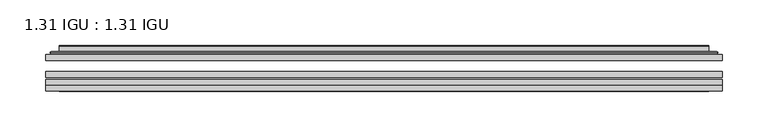
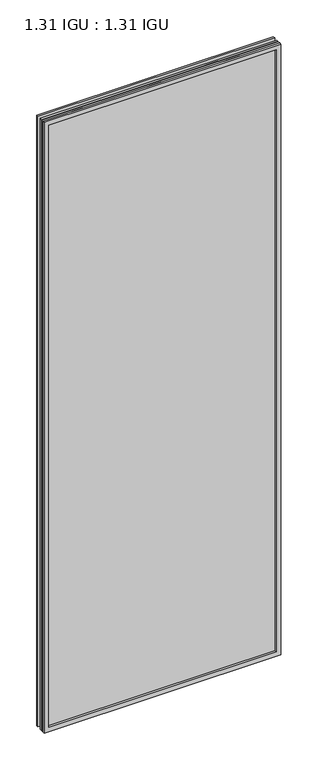
"""IFC4 building model written with IfcOpenShell, lengths in millimetres: plate geometry, 1.31 IGU : 1.31 IGU."""

import ifcopenshell
import ifcopenshell.guid

model = None  # the IFC model being written
_history = None  # IfcOwnerHistory: only IFC2X3 demands one
_inside = {}  # id of a spatial element -> (the spatial element, [elements in it])
_under = {}  # id of a project, library or spatial element -> (it, [spatial elements below it])
_declared = {}  # id of a project -> (the project, [libraries it declares])
_typed = {}  # id of a type object -> (the type object, [elements of that type])
_made_of = {}  # id of a material, layer set ... -> (it, [elements and type objects made of it])


def new_model(schema):
    """Start an empty IFC model of exactly this schema.

    Asked for "IFC4X3", IfcOpenShell would pick the latest addendum, in which some entities
    have other attributes; the version numbers below select the first issue.
    IFC2X3 requires an IfcOwnerHistory on every rooted entity: one is made here for all.
    """
    global model, _history
    if schema == "IFC4X3":
        model = ifcopenshell.file(schema_version=(4, 3, 0, 0))
    else:
        model = ifcopenshell.file(schema=schema)
    _inside.clear()
    _under.clear()
    _declared.clear()
    _typed.clear()
    _made_of.clear()
    _history = None
    if model.schema == "IFC2X3":
        org = make("IfcOrganization", Name="unknown")
        user = make(
            "IfcPersonAndOrganization",
            ThePerson=make("IfcPerson", FamilyName="unknown"),
            TheOrganization=org,
        )
        app = make(
            "IfcApplication",
            ApplicationDeveloper=org,
            Version="unknown",
            ApplicationFullName="unknown",
            ApplicationIdentifier="unknown",
        )
        _history = make(
            "IfcOwnerHistory",
            OwningUser=user,
            OwningApplication=app,
            ChangeAction="ADDED",
            CreationDate=0,
        )
    return model


def make(cls, **values):
    """One entity of the class cls with the attributes given. An attribute that is None is left unset."""
    return model.create_entity(
        cls, **{name: value for name, value in values.items() if value is not None}
    )


def rooted(cls, **values):
    """An entity with a GlobalId (a new one), such as an element, a storey or a relation."""
    return make(cls, GlobalId=ifcopenshell.guid.new(), OwnerHistory=_history, **values)


def si_unit(unit_type, name, prefix=None):
    """IfcSIUnit, for example si_unit("LENGTHUNIT", "METRE", prefix="MILLI")."""
    return make("IfcSIUnit", UnitType=unit_type, Prefix=prefix, Name=name)


def assignment(units):
    """IfcUnitAssignment: the units of a project."""
    return None if units is None else make("IfcUnitAssignment", Units=units)


def point(xyz):
    """IfcCartesianPoint."""
    return None if xyz is None else make("IfcCartesianPoint", Coordinates=xyz)


def direction(xyz):
    """IfcDirection."""
    return None if xyz is None else make("IfcDirection", DirectionRatios=xyz)


def frame(location, z_axis=None, x_axis=None):
    """IfcAxis2Placement3D, a coordinate frame: its origin and axes. An axis left out is left unset."""
    return make(
        "IfcAxis2Placement3D",
        Location=point(location),
        Axis=direction(z_axis),
        RefDirection=direction(x_axis),
    )


def origin():
    """The frame at (0, 0, 0) with its axes left unset."""
    return frame((0.0, 0.0, 0.0))


def place(relative_to, where):
    """IfcLocalPlacement: puts the frame where relative to a parent placement (None: the world)."""
    return make(
        "IfcLocalPlacement", PlacementRelTo=relative_to, RelativePlacement=where
    )


def context(
    kind, dimensions, precision=None, world=None, true_north=None, identifier=None
):
    """IfcGeometricRepresentationContext, for example the 3D "Model" context."""
    return make(
        "IfcGeometricRepresentationContext",
        ContextIdentifier=identifier,
        ContextType=kind,
        CoordinateSpaceDimension=dimensions,
        Precision=precision,
        WorldCoordinateSystem=world,
        TrueNorth=true_north,
    )


def project(units=None, contexts=None):
    """IfcProject with its units and contexts."""
    return rooted(
        "IfcProject",
        Name="project",
        RepresentationContexts=contexts,
        UnitsInContext=assignment(units),
    )


def spatial(cls, under=None, at=None, **own):
    """A site, building, storey or space (cls), placed at a placement, below another one or the project."""
    s = rooted(cls, ObjectPlacement=at, **own)
    if under is not None:
        _under.setdefault(under.id(), (under, []))[1].append(s)
    return s


def polyline(points):
    """IfcPolyline through the points."""
    return make("IfcPolyline", Points=[point(p) for p in points])


def ellipse_curve(where, semi_axis1, semi_axis2):
    """IfcEllipse in the frame where."""
    return make(
        "IfcEllipse", Position=where, SemiAxis1=semi_axis1, SemiAxis2=semi_axis2
    )


def outline(outer, holes=None, kind="AREA"):
    """IfcArbitraryClosedProfileDef: a profile drawn as a closed curve; with holes, ...WithVoids."""
    if holes is None:
        return make("IfcArbitraryClosedProfileDef", ProfileType=kind, OuterCurve=outer)
    return make(
        "IfcArbitraryProfileDefWithVoids",
        ProfileType=kind,
        OuterCurve=outer,
        InnerCurves=holes,
    )


def extrude(swept, where, along, depth):
    """IfcExtrudedAreaSolid: the profile swept, set in the frame where, extruded along a direction by depth."""
    return make(
        "IfcExtrudedAreaSolid",
        SweptArea=swept,
        Position=where,
        ExtrudedDirection=direction(along),
        Depth=depth,
    )


def faces_of(points, faces, orient=None, outer=None):
    """IfcFace entities. A face is a list of loops; a loop is a list of indices into points, from 0.

    orient and outer hold one flag for each loop. By default every Orientation is true, the
    first loop of a face is its IfcFaceOuterBound and the others are IfcFaceBound.
    """
    made = []
    for i, loops in enumerate(faces):
        bounds = []
        for j, loop in enumerate(loops):
            is_outer = j == 0 if outer is None else outer[i][j]
            bounds.append(
                make(
                    "IfcFaceOuterBound" if is_outer else "IfcFaceBound",
                    Bound=make("IfcPolyLoop", Polygon=[points[k] for k in loop]),
                    Orientation=True if orient is None else orient[i][j],
                )
            )
        made.append(make("IfcFace", Bounds=bounds))
    return made


def faceted_brep(points, faces, orient=None, outer=None, voids=None):
    """IfcFacetedBrep: a solid bounded by flat faces; with voids (closed shells), ...WithVoids."""
    shared = [point(p) for p in points]
    hull = make("IfcClosedShell", CfsFaces=faces_of(shared, faces, orient, outer))
    if voids is None:
        return make("IfcFacetedBrep", Outer=hull)
    return make(
        "IfcFacetedBrepWithVoids",
        Outer=hull,
        Voids=[
            make(cls, CfsFaces=faces_of(shared, fs, o, b)) for cls, fs, o, b in voids
        ],
    )


def shape(context_of_items, identifier, shape_type, items):
    """IfcShapeRepresentation: the items that make up one representation, for example the "Body"."""
    return make(
        "IfcShapeRepresentation",
        ContextOfItems=context_of_items,
        RepresentationIdentifier=identifier,
        RepresentationType=shape_type,
        Items=items,
    )


def source(mapping_origin, context_of_items, identifier, shape_type, items):
    """IfcRepresentationMap: a shape defined once, which mapped items show again and again."""
    return make(
        "IfcRepresentationMap",
        MappingOrigin=mapping_origin,
        MappedRepresentation=shape(context_of_items, identifier, shape_type, items),
    )


def transform(
    local_origin,
    x_axis=None,
    y_axis=None,
    z_axis=None,
    scale=None,
    scale2=None,
    scale3=None,
    uniform=True,
):
    """IfcCartesianTransformationOperator3D, or its non-uniform kind. x_axis, y_axis, z_axis: its Axis1, 2, 3."""
    if uniform:
        return make(
            "IfcCartesianTransformationOperator3D",
            Axis1=direction(x_axis),
            Axis2=direction(y_axis),
            LocalOrigin=point(local_origin),
            Scale=scale,
            Axis3=direction(z_axis),
        )
    return make(
        "IfcCartesianTransformationOperator3DnonUniform",
        Axis1=direction(x_axis),
        Axis2=direction(y_axis),
        LocalOrigin=point(local_origin),
        Scale=scale,
        Axis3=direction(z_axis),
        Scale2=scale2,
        Scale3=scale3,
    )


def mapped(mapping_source, mapping_target):
    """IfcMappedItem: shows the shape of a source again, moved by a transform."""
    return make(
        "IfcMappedItem", MappingSource=mapping_source, MappingTarget=mapping_target
    )


def made_of(thing, what):
    """Note that an element or type object is made of a material, layer set ...; save() writes the relation."""
    if what is not None:
        _made_of.setdefault(what.id(), (what, []))[1].append(thing)
    return thing


def element(
    cls,
    number,
    at=None,
    inside=None,
    cuts=None,
    type_object=None,
    material=None,
    context=None,
    identifier="Body",
    shape_type=None,
    held_by="IfcProductDefinitionShape",
    body=None,
    shapes=None,
    **own,
):
    """One element of the class cls, such as IfcWall. Its Tag is "e" and its number.

    at: its placement. inside: the storey or other place that contains it. cuts: it is an
    opening in that element (IfcRelVoidsElement). A single representation is given by context,
    identifier, shape_type and body (its items); several are given by shapes. held_by: the class
    of the entity that holds the representations. save() writes the other relations.
    """
    e = rooted(cls, Tag="e%d" % number, ObjectPlacement=at, **own)
    if body is not None:
        shapes = [shape(context, identifier, shape_type, body)]
    if shapes is not None:
        e.Representation = make(held_by, Representations=shapes)
    if inside is not None:
        _inside.setdefault(inside.id(), (inside, []))[1].append(e)
    if cuts is not None:
        rooted(
            "IfcRelVoidsElement", RelatingBuildingElement=cuts, RelatedOpeningElement=e
        )
    if type_object is not None:
        _typed.setdefault(type_object.id(), (type_object, []))[1].append(e)
    return made_of(e, material)


def aggregate(whole, parts):
    """IfcRelAggregates: a whole, such as a stair, and the parts it consists of."""
    return rooted("IfcRelAggregates", RelatingObject=whole, RelatedObjects=parts)


def save(model, path):
    """Write the relations noted so far, then the file.

    IfcRelAggregates (storeys below a building ...), IfcRelContainedInSpatialStructure (elements
    in a storey), IfcRelDefinesByType, IfcRelAssociatesMaterial and IfcRelDeclares: one each for
    every whole, place, type object, material and project.
    """
    for whole, parts in _under.values():
        aggregate(whole, parts)
    for where, things in _inside.values():
        rooted(
            "IfcRelContainedInSpatialStructure",
            RelatedElements=things,
            RelatingStructure=where,
        )
    for kind, things in _typed.values():
        rooted("IfcRelDefinesByType", RelatedObjects=things, RelatingType=kind)
    for what, things in _made_of.values():
        rooted("IfcRelAssociatesMaterial", RelatedObjects=things, RelatingMaterial=what)
    for by, libraries in _declared.values():
        rooted("IfcRelDeclares", RelatingContext=by, RelatedDefinitions=libraries)
    model.write(path)


def plane_surface(at):
    """IfcPlane: the flat surface through the origin of the frame at, square to its z axis."""
    return make("IfcPlane", Position=at)


def cylinder_surface(at, radius):
    """IfcCylindricalSurface: all points at the distance radius from the z axis of the frame at."""
    return make("IfcCylindricalSurface", Position=at, Radius=radius)


def advanced_brep(points, edges, surfaces, faces):
    """IfcAdvancedBrep: a solid bounded by faces that lie on surfaces and meet in shared edges.

    An edge is (start, end): straight between two places in points (the first is 0);
    or (start, end, curve); or (start, end, curve, False) where it runs against its curve.
    A face is (place in surfaces, loops), or (place, loops, False) where it looks against
    its surface's normal. A loop lists edges by number (the first is 1), with a minus sign
    where the edge is run from its end to its start. The first loop is the outer one.
    """
    corners = [point(p) for p in points]
    vertices = [make("IfcVertexPoint", VertexGeometry=c) for c in corners]
    made = []
    for start, end, *more in edges:
        made.append(
            make(
                "IfcEdgeCurve",
                EdgeStart=vertices[start],
                EdgeEnd=vertices[end],
                EdgeGeometry=more[0] if more else make("IfcPolyline", Points=[corners[start], corners[end]]),
                SameSense=more[1] if len(more) > 1 else True,
            )
        )
    hull = []
    for where, loops, *sense in faces:
        bounds = []
        for j, loop in enumerate(loops):
            ring = [make("IfcOrientedEdge", EdgeElement=made[abs(k) - 1], Orientation=k > 0) for k in loop]
            bounds.append(
                make(
                    "IfcFaceOuterBound" if j == 0 else "IfcFaceBound",
                    Bound=make("IfcEdgeLoop", EdgeList=ring),
                    Orientation=True,
                )
            )
        hull.append(make("IfcAdvancedFace", Bounds=bounds, FaceSurface=surfaces[where], SameSense=sense[0] if sense else True))
    return make("IfcAdvancedBrep", Outer=make("IfcClosedShell", CfsFaces=hull))


def plate_1_31_igu_1_31_igu_d1fbe1bf(model_context):
    return source(origin(), model_context, "Body", "SolidModel", [
        extrude(outline(polyline([(368.3609066, -63.59525), (368.3609066, -69.94525), (-368.3467316, -69.94525), (-368.3467316, -63.59525), (368.3609066, -63.59525)])), frame((0.0, 0.0, -14.2875), z_axis=(0.0, 0.0, 1.0), x_axis=(1.0, 0.0, 0.0)), (0.0, 0.0, 1.0), 2009.8015278),
        extrude(outline(polyline([(-368.3467316, -78.58125), (-368.3467316, -72.230745), (368.3609066, -72.230745), (368.3609066, -78.58125), (-368.3467316, -78.58125)])), frame((0.0, 0.0, -14.2875), z_axis=(0.0, 0.0, 1.0), x_axis=(1.0, 0.0, 0.0)), (0.0, 0.0, 1.0), 2009.8015278),
        extrude(outline(polyline([(368.3609066, -45.25645), (368.3609066, -51.60645), (-368.3467316, -51.60645), (-368.3467316, -45.25645), (368.3609066, -45.25645)])), frame((0.0, 0.0, -14.2875), z_axis=(0.0, 0.0, 1.0), x_axis=(1.0, 0.0, 0.0)), (0.0, 0.0, 1.0), 2009.8015278),
        faceted_brep([(-368.3594316, -84.93125, 1995.5229299), (-368.3594316, -78.58125, 1995.5229299), (-368.3594316, -78.58125, -14.3002), (-368.3594316, -84.93125, -14.3002), (368.3594316, -78.58125, -14.3002), (368.3594316, -84.93125, -14.3002), (368.3594316, -78.58125, 1995.5229299), (368.3594316, -84.93125, 1995.5229299), (-353.1614875, -78.58125, 0.8977441), (353.1614875, -78.58125, 0.8977441), (353.1614875, -78.58125, 1980.3249858), (-353.1614875, -78.58125, 1980.3249858), (-354.0539218, -84.93125, 1981.2174201), (354.0539218, -84.93125, 1981.2174201), (354.0539218, -84.93125, 0.0053098), (-354.0539218, -84.93125, 0.0053098)], [[[0, 1, 2, 3]], [[3, 2, 4, 5]], [[5, 4, 6, 7]], [[1, 6, 4, 2], [8, 9, 10, 11]], [[7, 6, 1, 0]], [[3, 5, 7, 0], [12, 13, 14, 15]], [[11, 12, 15, 8]], [[8, 15, 14, 9]], [[9, 14, 13, 10]], [[10, 13, 12, 11]]]),
        advanced_brep(
        [(-361.1054507, -45.25645, 1988.2689489), (-363.459656, -43.2667833, 1990.6231543), (-363.459656, -43.2667833, -9.4004244), (-361.1054507, -45.25645, -7.046219), (-352.0311255, -41.416413, 1979.1946238), (-347.0962937, -45.25645, 1974.2597919), (-347.0962937, -45.25645, 6.9629379), (-352.0311255, -41.416413, 2.0281061), (-353.0631533, -36.0191819, 1980.2266515), (-353.0631533, -36.0191819, 0.9960783), (-354.0538101, -35.6202069, 1981.2173083), (-354.0538101, -35.6202069, 0.0054216), (-354.0538101, -42.08145, 1981.2173083), (-354.0538101, -42.08145, 0.0054216), (-362.4578665, -42.08145, 1989.6213648), (-362.4578665, -42.08145, -8.3986349), (363.459656, -43.2667833, -9.4004244), (361.1054507, -45.25645, -7.046219), (347.0962937, -45.25645, 6.9629379), (352.0311255, -41.416413, 2.0281061), (353.0631533, -36.0191819, 0.9960783), (354.0538101, -35.6202069, 0.0054216), (354.0538101, -42.08145, 0.0054216), (362.4578665, -42.08145, -8.3986349), (363.459656, -43.2667833, 1990.6231543), (361.1054507, -45.25645, 1988.2689489), (347.0962937, -45.25645, 1974.2597919), (352.0311255, -41.416413, 1979.1946238), (353.0631533, -36.0191819, 1980.2266515), (354.0538101, -35.6202069, 1981.2173083), (354.0538101, -42.08145, 1981.2173083), (362.4578665, -42.08145, 1989.6213648)],
        [
            (0, 1, ellipse_curve(frame((-361.1054507, -42.86885, 1988.2689489), z_axis=(-0.7071067811865475, 0.0, -0.7071067811865475), x_axis=(-0.7071067811865474, 0.0, 0.7071067811865476)), 3.3765763, 2.3876)),
            (1, 2),
            (2, 3, ellipse_curve(frame((-361.1054507, -42.86885, -7.046219), z_axis=(-0.7071067811865475, 0.0, 0.7071067811865475), x_axis=(0.7071067811865474, 0.0, 0.7071067811865476)), 3.3765763, 2.3876)),
            (3, 0),
            (4, 5),
            (5, 6),
            (6, 7),
            (7, 4),
            (8, 4),
            (7, 9),
            (9, 8),
            (10, 8, ellipse_curve(frame((-353.6868535, -36.1384423, 1980.8503517), z_axis=(-0.7071067811865475, 0.0, -0.7071067811865475), x_axis=(-0.7071067811865474, 0.0, 0.7071067811865476)), 0.8980256, 0.635)),
            (9, 11, ellipse_curve(frame((-353.6868535, -36.1384423, 0.3723781), z_axis=(-0.7071067811865475, 0.0, 0.7071067811865475), x_axis=(0.7071067811865474, 0.0, 0.7071067811865476)), 0.8980256, 0.635)),
            (11, 10),
            (12, 10),
            (11, 13),
            (13, 12),
            (1, 14, ellipse_curve(frame((-362.4578665, -43.09745, 1989.6213648), z_axis=(-0.7071067811865475, 0.0, -0.7071067811865475), x_axis=(-0.7071067811865474, 0.0, 0.7071067811865476)), 1.436841, 1.016)),
            (14, 15),
            (15, 2, ellipse_curve(frame((-362.4578665, -43.09745, -8.3986349), z_axis=(-0.7071067811865475, 0.0, 0.7071067811865475), x_axis=(0.7071067811865474, 0.0, 0.7071067811865476)), 1.436841, 1.016)),
            (2, 16),
            (16, 17, ellipse_curve(frame((361.1054507, -42.86885, -7.046219), z_axis=(-0.7071067811865475, 0.0, -0.7071067811865475), x_axis=(-0.7071067811865476, 0.0, 0.7071067811865474)), 3.3765763, 2.3876)),
            (17, 3),
            (6, 18),
            (18, 19),
            (19, 7),
            (19, 20),
            (20, 9),
            (20, 21, ellipse_curve(frame((353.6868535, -36.1384423, 0.3723781), z_axis=(-0.7071067811865475, 0.0, -0.7071067811865475), x_axis=(-0.7071067811865476, 0.0, 0.7071067811865474)), 0.8980256, 0.635)),
            (21, 11),
            (21, 22),
            (22, 13),
            (15, 23),
            (23, 16, ellipse_curve(frame((362.4578665, -43.09745, -8.3986349), z_axis=(-0.7071067811865475, 0.0, -0.7071067811865475), x_axis=(-0.7071067811865476, 0.0, 0.7071067811865474)), 1.436841, 1.016)),
            (16, 24),
            (24, 25, ellipse_curve(frame((361.1054507, -42.86885, 1988.2689489), z_axis=(0.7071067811865475, 0.0, -0.7071067811865475), x_axis=(-0.7071067811865474, 0.0, -0.7071067811865476)), 3.3765763, 2.3876)),
            (25, 17),
            (18, 26),
            (26, 27),
            (27, 19),
            (27, 28),
            (28, 20),
            (28, 29, ellipse_curve(frame((353.6868535, -36.1384423, 1980.8503517), z_axis=(0.7071067811865475, 0.0, -0.7071067811865475), x_axis=(-0.7071067811865474, 0.0, -0.7071067811865476)), 0.8980256, 0.635)),
            (29, 21),
            (29, 30),
            (30, 22),
            (23, 31),
            (31, 24, ellipse_curve(frame((362.4578665, -43.09745, 1989.6213648), z_axis=(0.7071067811865475, 0.0, -0.7071067811865475), x_axis=(-0.7071067811865474, 0.0, -0.7071067811865476)), 1.436841, 1.016)),
            (24, 1),
            (0, 25),
            (5, 26),
            (4, 27),
            (8, 28),
            (10, 29),
            (12, 30),
            (14, 31),
        ],
        [
            cylinder_surface(frame((-361.1054507, -42.86885, 2012.9727299), z_axis=(0.0, 0.0, 1.0), x_axis=(-1.0, 0.0, 0.0)), 2.3876),
            plane_surface(frame((-347.0962937, -45.25645, 1974.2597919), z_axis=(0.6141233906514794, 0.7892100234124821, 0.0), x_axis=(0.0, 0.0, -1.0))),
            plane_surface(frame((-352.0311255, -41.416413, 1979.1946238), z_axis=(0.9822050625507729, 0.18781164793386074, 0.0), x_axis=(0.0, 0.0, -1.0))),
            cylinder_surface(frame((-353.6868535, -36.1384423, 2012.9727299), z_axis=(0.0, 0.0, 1.0), x_axis=(-1.0, 0.0, 0.0)), 0.635),
            plane_surface(frame((-354.0538101, -35.6202069, 1981.2173083), z_axis=(-1.0, 0.0, 0.0), x_axis=(0.0, 0.0, -1.0))),
            cylinder_surface(frame((-362.4578665, -43.09745, 2012.9727299), z_axis=(0.0, 0.0, 1.0), x_axis=(-1.0, 0.0, 0.0)), 1.016),
            cylinder_surface(frame((-385.8092316, -42.86885, -7.046219), z_axis=(-1.0, 0.0, 0.0), x_axis=(0.0, 0.0, -1.0)), 2.3876),
            plane_surface(frame((-347.0962937, -45.25645, 6.9629379), z_axis=(0.0, 0.7892100234124841, 0.6141233906514768), x_axis=(1.0, 0.0, 0.0))),
            plane_surface(frame((-352.0311255, -41.416413, 2.0281061), z_axis=(0.0, 0.18781164793386393, 0.9822050625507723), x_axis=(1.0, 0.0, 0.0))),
            cylinder_surface(frame((-385.8092316, -36.1384423, 0.3723781), z_axis=(-1.0, 0.0, 0.0), x_axis=(0.0, 0.0, -1.0)), 0.635),
            plane_surface(frame((-354.0538101, -35.6202069, 0.0054216), z_axis=(0.0, 0.0, -1.0), x_axis=(1.0, 0.0, 0.0))),
            cylinder_surface(frame((-385.8092316, -43.09745, -8.3986349), z_axis=(-1.0, 0.0, 0.0), x_axis=(0.0, 0.0, -1.0)), 1.016),
            cylinder_surface(frame((361.1054507, -42.86885, -31.75), z_axis=(0.0, 0.0, -1.0), x_axis=(1.0, 0.0, 0.0)), 2.3876),
            plane_surface(frame((347.0962937, -45.25645, 6.9629379), z_axis=(-0.6141233906514743, 0.7892100234124861, 0.0), x_axis=(0.0, 0.0, 1.0))),
            plane_surface(frame((352.0311255, -41.416413, 2.0281061), z_axis=(-0.9822050625507718, 0.18781164793386712, 0.0), x_axis=(0.0, 0.0, 1.0))),
            cylinder_surface(frame((353.6868535, -36.1384423, -31.75), z_axis=(0.0, 0.0, -1.0), x_axis=(1.0, 0.0, 0.0)), 0.635),
            plane_surface(frame((354.0538101, -35.6202069, 0.0054216), z_axis=(1.0, 0.0, 0.0), x_axis=(0.0, 0.0, 1.0))),
            cylinder_surface(frame((362.4578665, -43.09745, -31.75), z_axis=(0.0, 0.0, -1.0), x_axis=(1.0, 0.0, 0.0)), 1.016),
            cylinder_surface(frame((385.8092316, -42.86885, 1988.2689489), z_axis=(1.0, 0.0, 0.0), x_axis=(0.0, 0.0, 1.0)), 2.3876),
            plane_surface(frame((361.1054507, -45.25645, 1988.2689489), z_axis=(0.0, -1.0, 0.0), x_axis=(-1.0, 0.0, 0.0))),
            plane_surface(frame((347.0962937, -45.25645, 1974.2597919), z_axis=(0.0, 0.7892100234124841, -0.6141233906514768), x_axis=(-1.0, 0.0, 0.0))),
            plane_surface(frame((352.0311255, -41.416413, 1979.1946238), z_axis=(0.0, 0.18781164793386393, -0.9822050625507723), x_axis=(-1.0, 0.0, 0.0))),
            cylinder_surface(frame((385.8092316, -36.1384423, 1980.8503517), z_axis=(1.0, 0.0, 0.0), x_axis=(0.0, 0.0, 1.0)), 0.635),
            plane_surface(frame((354.0538101, -35.6202069, 1981.2173083), z_axis=(0.0, 0.0, 1.0), x_axis=(-1.0, 0.0, 0.0))),
            plane_surface(frame((354.0538101, -42.08145, 1981.2173083), z_axis=(0.0, 1.0, 0.0), x_axis=(-1.0, 0.0, 0.0))),
            cylinder_surface(frame((385.8092316, -43.09745, 1989.6213648), z_axis=(1.0, 0.0, 0.0), x_axis=(0.0, 0.0, 1.0)), 1.016),
        ],
        [
            (0, [[1, 2, 3, 4]]),
            (1, [[5, 6, 7, 8]]),
            (2, [[9, -8, 10, 11]]),
            (3, [[12, -11, 13, 14]]),
            (4, [[15, -14, 16, 17]]),
            (5, [[18, 19, 20, -2]]),
            (6, [[-3, 21, 22, 23]]),
            (7, [[-7, 24, 25, 26]]),
            (8, [[-10, -26, 27, 28]]),
            (9, [[-13, -28, 29, 30]]),
            (10, [[-16, -30, 31, 32]]),
            (11, [[-20, 33, 34, -21]]),
            (12, [[-22, 35, 36, 37]]),
            (13, [[-25, 38, 39, 40]]),
            (14, [[-27, -40, 41, 42]]),
            (15, [[-29, -42, 43, 44]]),
            (16, [[-31, -44, 45, 46]]),
            (17, [[-34, 47, 48, -35]]),
            (18, [[-36, 49, -1, 50]]),
            (19, [[-23, -37, -50, -4], [51, -38, -24, -6]]),
            (20, [[-39, -51, -5, 52]]),
            (21, [[-41, -52, -9, 53]]),
            (22, [[-43, -53, -12, 54]]),
            (23, [[-45, -54, -15, 55]]),
            (24, [[56, -47, -33, -19], [-32, -46, -55, -17]]),
            (25, [[-48, -56, -18, -49]]),
        ],
    ),
    ])


if __name__ == "__main__":
    model = new_model("IFC4")
    model_context = context("Model", 3, world=origin())
    ifc_project = project(units=[si_unit("LENGTHUNIT", "METRE", prefix="MILLI")], contexts=[model_context])
    site = spatial("IfcSite", under=ifc_project)
    building = spatial("IfcBuilding", under=site)
    placement = place(None, origin())
    plate_1_31_igu_1_31_igu_shape = plate_1_31_igu_1_31_igu_d1fbe1bf(model_context)
    element("IfcPlate", 1, ObjectType="1.31 IGU : 1.31 IGU", at=placement, inside=building, context=model_context, shape_type="MappedRepresentation", body=[
        mapped(plate_1_31_igu_1_31_igu_shape, transform((0.0, 0.0, 0.0), x_axis=(1.0, 0.0, 0.0), y_axis=(0.0, 1.0, 0.0), z_axis=(0.0, 0.0, 1.0))),
    ])
    save(model, "model.ifc")
